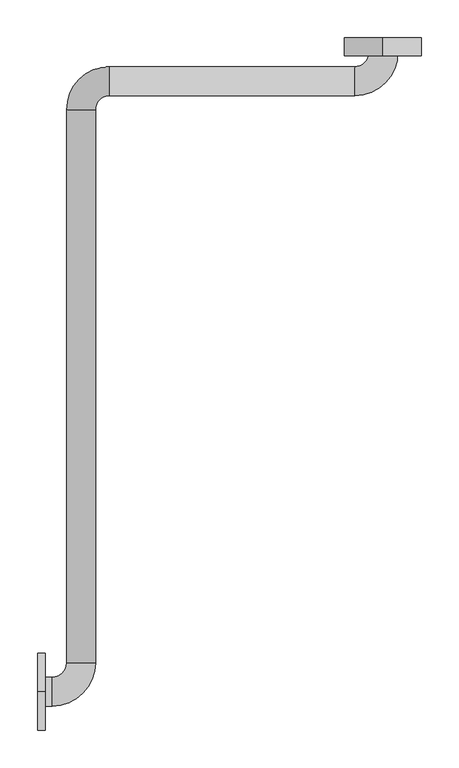
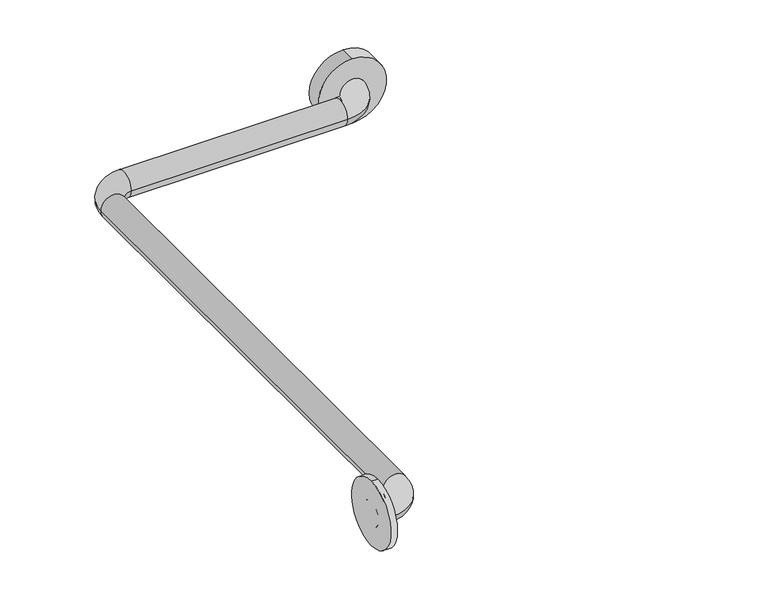
"""IFC4 building model written with IfcOpenShell, lengths in millimetres: proxy geometry."""

from ifc_helpers import new_model, si_unit, point, frame, frame_2d, origin, place, context, project, spatial, circle_curve, ellipse_curve, trimmed, segment, composite_curve, outline, extrude, source, transform, mapped, element, save
from ifc_brep_helpers import plane_surface, cylinder_surface, revolved_surface, advanced_brep


def generic_models_82568c59(model_context):
    return source(origin(), model_context, "Body", "SolidModel", [
        extrude(outline(composite_curve([segment(trimmed(circle_curve(frame_2d((889.0, 456.3492842)), 50.8), [point((838.2, 456.3492842))], [point((939.8, 456.3492842))], False, "CARTESIAN"), True, "CONTINUOUS"), segment(trimmed(circle_curve(frame_2d((889.0, 456.3492842)), 50.8), [point((939.8, 456.3492842))], [point((838.2, 456.3492842))], False, "CARTESIAN"), True, "CONTINUOUS")], self_intersect=False)), frame((0.0, -85.725, 0.0), z_axis=(0.0, 1.0, 0.0), x_axis=(0.0, 0.0, 1.0)), (0.0, 0.0, 1.0), 23.8125),
        extrude(outline(composite_curve([segment(trimmed(circle_curve(frame_2d((-925.5125, 889.0)), 50.8), [point((-925.5125, 838.2))], [point((-925.5125, 939.8))], False, "CARTESIAN"), True, "CONTINUOUS"), segment(trimmed(circle_curve(frame_2d((-925.5125, 889.0)), 50.8), [point((-925.5125, 939.8))], [point((-925.5125, 838.2))], False, "CARTESIAN"), True, "CONTINUOUS")], self_intersect=False)), frame((0.0, 0.0, 0.0), z_axis=(1.0, 0.0, 0.0), x_axis=(0.0, 1.0, 0.0)), (0.0, 0.0, 1.0), 9.525),
        advanced_brep(
        [(476.25, -61.9125, 889.0), (438.15, -61.9125, 889.0), (438.15, -80.9625, 889.0), (476.25, -80.9625, 889.0), (419.1, -100.0125, 889.0), (419.1, -138.1125, 889.0), (95.25, -100.0125, 889.0), (95.25, -138.1125, 889.0), (38.1, -157.1625, 889.0), (76.2, -157.1625, 889.0), (38.1, -887.4125, 889.0), (76.2, -887.4125, 889.0), (19.05, -906.4625, 889.0), (19.05, -944.5625, 889.0), (0.0, -944.5625, 889.0), (0.0, -906.4625, 889.0)],
        [
            (0, 1, circle_curve(frame((457.2, -61.9125, 889.0), z_axis=(0.0, 1.0, 0.0), x_axis=(-1.0, 0.0, 0.0)), 19.05)),
            (1, 0, circle_curve(frame((457.2, -61.9125, 889.0), z_axis=(0.0, 1.0, 0.0), x_axis=(-1.0, 0.0, 0.0)), 19.05)),
            (1, 2),
            (2, 3, circle_curve(frame((457.2, -80.9625, 889.0), z_axis=(0.0, 1.0, 0.0), x_axis=(-1.0, 0.0, 0.0)), 19.05)),
            (3, 0),
            (3, 2, circle_curve(frame((457.2, -80.9625, 889.0), z_axis=(0.0, 1.0, 0.0), x_axis=(-1.0, 0.0, 0.0)), 19.05)),
            (4, 5, circle_curve(frame((419.1, -119.0625, 889.0), z_axis=(1.0, 0.0, 0.0), x_axis=(0.0, 1.0, 0.0)), 19.05)),
            (5, 3, circle_curve(frame((419.1, -80.9625, 889.0), z_axis=(0.0, 0.0, 1.0), x_axis=(1.0, 0.0, 0.0)), 57.15)),
            (2, 4, circle_curve(frame((419.1, -80.9625, 889.0), z_axis=(0.0, 0.0, -1.0), x_axis=(1.0, 0.0, 0.0)), 19.05)),
            (5, 4, circle_curve(frame((419.1, -119.0625, 889.0), z_axis=(1.0, 0.0, 0.0), x_axis=(0.0, 1.0, 0.0)), 19.05)),
            (4, 6),
            (6, 7, circle_curve(frame((95.25, -119.0625, 889.0), z_axis=(1.0, 0.0, 0.0), x_axis=(0.0, 1.0, 0.0)), 19.05)),
            (7, 5),
            (7, 6, circle_curve(frame((95.25, -119.0625, 889.0), z_axis=(1.0, 0.0, 0.0), x_axis=(0.0, 1.0, 0.0)), 19.05)),
            (8, 9, circle_curve(frame((57.15, -157.1625, 889.0), z_axis=(0.0, 1.0, 0.0), x_axis=(-1.0, 0.0, 0.0)), 19.05)),
            (9, 7, circle_curve(frame((95.25, -157.1625, 889.0), z_axis=(0.0, 0.0, -1.0), x_axis=(0.0, 1.0, 0.0)), 19.05)),
            (6, 8, circle_curve(frame((95.25, -157.1625, 889.0), z_axis=(0.0, 0.0, 1.0), x_axis=(0.0, 1.0, 0.0)), 57.15)),
            (9, 8, circle_curve(frame((57.15, -157.1625, 889.0), z_axis=(0.0, 1.0, 0.0), x_axis=(-1.0, 0.0, 0.0)), 19.05)),
            (8, 10),
            (10, 11, circle_curve(frame((57.15, -887.4125, 889.0), z_axis=(0.0, 1.0, 0.0), x_axis=(-1.0, 0.0, 0.0)), 19.05)),
            (11, 9),
            (11, 10, circle_curve(frame((57.15, -887.4125, 889.0), z_axis=(0.0, 1.0, 0.0), x_axis=(-1.0, 0.0, 0.0)), 19.05)),
            (12, 13, circle_curve(frame((19.05, -925.5125, 889.0), z_axis=(1.0, 0.0, 0.0), x_axis=(0.0, 1.0, 0.0)), 19.05)),
            (13, 11, circle_curve(frame((19.05, -887.4125, 889.0), z_axis=(0.0, 0.0, 1.0), x_axis=(1.0, 0.0, 0.0)), 57.15)),
            (10, 12, circle_curve(frame((19.05, -887.4125, 889.0), z_axis=(0.0, 0.0, -1.0), x_axis=(1.0, 0.0, 0.0)), 19.05)),
            (13, 12, circle_curve(frame((19.05, -925.5125, 889.0), z_axis=(1.0, 0.0, 0.0), x_axis=(0.0, 1.0, 0.0)), 19.05)),
            (14, 15, circle_curve(frame((0.0, -925.5125, 889.0), z_axis=(-1.0, 0.0, 0.0), x_axis=(0.0, 1.0, 0.0)), 19.05)),
            (15, 14, circle_curve(frame((0.0, -925.5125, 889.0), z_axis=(-1.0, 0.0, 0.0), x_axis=(0.0, 1.0, 0.0)), 19.05)),
            (12, 15),
            (14, 13),
        ],
        [
            plane_surface(frame((457.2, -61.9125, 889.0), z_axis=(0.0, 1.0, 0.0), x_axis=(0.0, 0.0, 1.0))),
            cylinder_surface(frame((457.2, -61.9125, 889.0), z_axis=(0.0, 1.0, 0.0), x_axis=(-1.0, 0.0, 0.0)), 19.05),
            revolved_surface(trimmed(ellipse_curve(frame((457.2, -80.9625, 889.0), z_axis=(0.0, -1.0, 0.0), x_axis=(-1.0, 0.0, 0.0)), 19.05, 19.05), [point((476.25, -80.9625, 889.0))], [point((438.15, -80.9625, 889.0))], True, "CARTESIAN"), (419.1, -80.9625, 889.0), (0.0, 0.0, 1.0)),
            revolved_surface(trimmed(ellipse_curve(frame((457.2, -80.9625, 889.0), z_axis=(0.0, -1.0, 0.0), x_axis=(-1.0, 0.0, 0.0)), 19.05, 19.05), [point((438.15, -80.9625, 889.0))], [point((476.25, -80.9625, 889.0))], True, "CARTESIAN"), (419.1, -80.9625, 889.0), (0.0, 0.0, 1.0)),
            cylinder_surface(frame((419.1, -119.0625, 889.0), z_axis=(1.0, 0.0, 0.0), x_axis=(0.0, 1.0, 0.0)), 19.05),
            revolved_surface(trimmed(ellipse_curve(frame((95.25, -119.0625, 889.0), z_axis=(-1.0, 0.0, 0.0), x_axis=(0.0, 1.0, 0.0)), 19.05, 19.05), [point((95.25, -138.1125, 889.0))], [point((95.25, -100.0125, 889.0))], True, "CARTESIAN"), (95.25, -157.1625, 889.0), (0.0, 0.0, -1.0)),
            revolved_surface(trimmed(ellipse_curve(frame((95.25, -119.0625, 889.0), z_axis=(-1.0, 0.0, 0.0), x_axis=(0.0, 1.0, 0.0)), 19.05, 19.05), [point((95.25, -100.0125, 889.0))], [point((95.25, -138.1125, 889.0))], True, "CARTESIAN"), (95.25, -157.1625, 889.0), (0.0, 0.0, -1.0)),
            cylinder_surface(frame((57.15, -157.1625, 889.0), z_axis=(0.0, 1.0, 0.0), x_axis=(-1.0, 0.0, 0.0)), 19.05),
            revolved_surface(trimmed(ellipse_curve(frame((57.15, -887.4125, 889.0), z_axis=(0.0, -1.0, 0.0), x_axis=(-1.0, 0.0, 0.0)), 19.05, 19.05), [point((76.2, -887.4125, 889.0))], [point((38.1, -887.4125, 889.0))], True, "CARTESIAN"), (19.05, -887.4125, 889.0), (0.0, 0.0, 1.0)),
            revolved_surface(trimmed(ellipse_curve(frame((57.15, -887.4125, 889.0), z_axis=(0.0, -1.0, 0.0), x_axis=(-1.0, 0.0, 0.0)), 19.05, 19.05), [point((38.1, -887.4125, 889.0))], [point((76.2, -887.4125, 889.0))], True, "CARTESIAN"), (19.05, -887.4125, 889.0), (0.0, 0.0, 1.0)),
            plane_surface(frame((0.0, -925.5125, 889.0), z_axis=(-1.0, 0.0, 0.0), x_axis=(0.0, 0.0, 1.0))),
            cylinder_surface(frame((19.05, -925.5125, 889.0), z_axis=(1.0, 0.0, 0.0), x_axis=(0.0, 1.0, 0.0)), 19.05),
        ],
        [
            (0, [[1, 2]]),
            (1, [[3, 4, 5, -2]]),
            (1, [[-5, 6, -3, -1]]),
            (2, [[7, 8, -4, 9]]),
            (3, [[10, -9, -6, -8]]),
            (4, [[11, 12, 13, -7]]),
            (4, [[-13, 14, -11, -10]]),
            (5, [[15, 16, -12, 17]]),
            (6, [[18, -17, -14, -16]]),
            (7, [[19, 20, 21, -15]]),
            (7, [[-21, 22, -19, -18]]),
            (8, [[23, 24, -20, 25]]),
            (9, [[26, -25, -22, -24]]),
            (10, [[27, 28]]),
            (11, [[29, -27, 30, -23]]),
            (11, [[-30, -28, -29, -26]]),
        ],
    ),
    ])


if __name__ == "__main__":
    model = new_model("IFC4")
    model_context = context("Model", 3, world=origin())
    ifc_project = project(units=[si_unit("LENGTHUNIT", "METRE", prefix="MILLI")], contexts=[model_context])
    site = spatial("IfcSite", under=ifc_project)
    building = spatial("IfcBuilding", under=site)
    placement = place(None, origin())
    generic_models_shape = generic_models_82568c59(model_context)
    element("IfcBuildingElementProxy", 1, Name="Generic Models", at=placement, inside=building, context=model_context, shape_type="MappedRepresentation", body=[
        mapped(generic_models_shape, transform((0.0, 0.0, 0.0), x_axis=(1.0, 0.0, 0.0), y_axis=(0.0, 1.0, 0.0), z_axis=(0.0, 0.0, 1.0))),
    ])
    save(model, "model.ifc")
